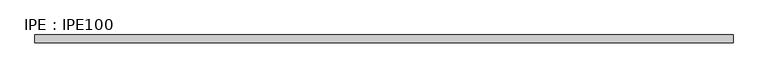
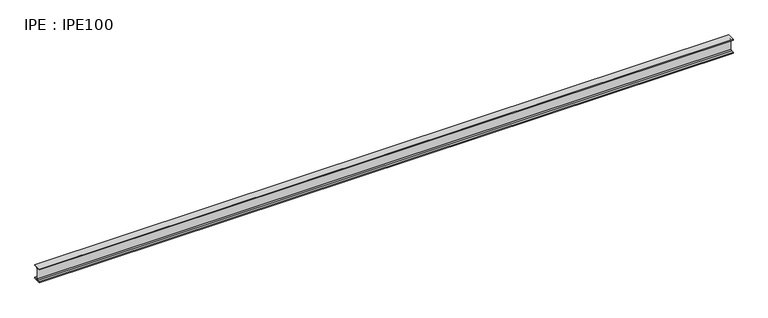
"""IFC4 building model written with IfcOpenShell, lengths in millimetres: beam geometry, IPE : IPE100."""

import ifcopenshell
import ifcopenshell.guid

model = None  # the IFC model being written
_history = None  # IfcOwnerHistory: only IFC2X3 demands one
_inside = {}  # id of a spatial element -> (the spatial element, [elements in it])
_under = {}  # id of a project, library or spatial element -> (it, [spatial elements below it])
_declared = {}  # id of a project -> (the project, [libraries it declares])
_typed = {}  # id of a type object -> (the type object, [elements of that type])
_made_of = {}  # id of a material, layer set ... -> (it, [elements and type objects made of it])


def new_model(schema):
    """Start an empty IFC model of exactly this schema.

    Asked for "IFC4X3", IfcOpenShell would pick the latest addendum, in which some entities
    have other attributes; the version numbers below select the first issue.
    IFC2X3 requires an IfcOwnerHistory on every rooted entity: one is made here for all.
    """
    global model, _history
    if schema == "IFC4X3":
        model = ifcopenshell.file(schema_version=(4, 3, 0, 0))
    else:
        model = ifcopenshell.file(schema=schema)
    _inside.clear()
    _under.clear()
    _declared.clear()
    _typed.clear()
    _made_of.clear()
    _history = None
    if model.schema == "IFC2X3":
        org = make("IfcOrganization", Name="unknown")
        user = make(
            "IfcPersonAndOrganization",
            ThePerson=make("IfcPerson", FamilyName="unknown"),
            TheOrganization=org,
        )
        app = make(
            "IfcApplication",
            ApplicationDeveloper=org,
            Version="unknown",
            ApplicationFullName="unknown",
            ApplicationIdentifier="unknown",
        )
        _history = make(
            "IfcOwnerHistory",
            OwningUser=user,
            OwningApplication=app,
            ChangeAction="ADDED",
            CreationDate=0,
        )
    return model


def make(cls, **values):
    """One entity of the class cls with the attributes given. An attribute that is None is left unset."""
    return model.create_entity(
        cls, **{name: value for name, value in values.items() if value is not None}
    )


def rooted(cls, **values):
    """An entity with a GlobalId (a new one), such as an element, a storey or a relation."""
    return make(cls, GlobalId=ifcopenshell.guid.new(), OwnerHistory=_history, **values)


def si_unit(unit_type, name, prefix=None):
    """IfcSIUnit, for example si_unit("LENGTHUNIT", "METRE", prefix="MILLI")."""
    return make("IfcSIUnit", UnitType=unit_type, Prefix=prefix, Name=name)


def assignment(units):
    """IfcUnitAssignment: the units of a project."""
    return None if units is None else make("IfcUnitAssignment", Units=units)


def point(xyz):
    """IfcCartesianPoint."""
    return None if xyz is None else make("IfcCartesianPoint", Coordinates=xyz)


def direction(xyz):
    """IfcDirection."""
    return None if xyz is None else make("IfcDirection", DirectionRatios=xyz)


def frame(location, z_axis=None, x_axis=None):
    """IfcAxis2Placement3D, a coordinate frame: its origin and axes. An axis left out is left unset."""
    return make(
        "IfcAxis2Placement3D",
        Location=point(location),
        Axis=direction(z_axis),
        RefDirection=direction(x_axis),
    )


def frame_2d(location, x_axis=None):
    """IfcAxis2Placement2D, a coordinate frame in the plane: its origin and x axis."""
    return make(
        "IfcAxis2Placement2D", Location=point(location), RefDirection=direction(x_axis)
    )


def origin():
    """The frame at (0, 0, 0) with its axes left unset."""
    return frame((0.0, 0.0, 0.0))


def place(relative_to, where):
    """IfcLocalPlacement: puts the frame where relative to a parent placement (None: the world)."""
    return make(
        "IfcLocalPlacement", PlacementRelTo=relative_to, RelativePlacement=where
    )


def context(
    kind, dimensions, precision=None, world=None, true_north=None, identifier=None
):
    """IfcGeometricRepresentationContext, for example the 3D "Model" context."""
    return make(
        "IfcGeometricRepresentationContext",
        ContextIdentifier=identifier,
        ContextType=kind,
        CoordinateSpaceDimension=dimensions,
        Precision=precision,
        WorldCoordinateSystem=world,
        TrueNorth=true_north,
    )


def project(units=None, contexts=None):
    """IfcProject with its units and contexts."""
    return rooted(
        "IfcProject",
        Name="project",
        RepresentationContexts=contexts,
        UnitsInContext=assignment(units),
    )


def spatial(cls, under=None, at=None, **own):
    """A site, building, storey or space (cls), placed at a placement, below another one or the project."""
    s = rooted(cls, ObjectPlacement=at, **own)
    if under is not None:
        _under.setdefault(under.id(), (under, []))[1].append(s)
    return s


def polyline(points):
    """IfcPolyline through the points."""
    return make("IfcPolyline", Points=[point(p) for p in points])


def circle_curve(where, radius):
    """IfcCircle in the frame where."""
    return make("IfcCircle", Position=where, Radius=radius)


def trimmed(basis, trim1, trim2, sense, master):
    """IfcTrimmedCurve: the piece of a basis curve between two trims."""
    return make(
        "IfcTrimmedCurve",
        BasisCurve=basis,
        Trim1=trim1,
        Trim2=trim2,
        SenseAgreement=sense,
        MasterRepresentation=master,
    )


def segment(curve, same_sense, transition):
    """IfcCompositeCurveSegment."""
    return make(
        "IfcCompositeCurveSegment",
        Transition=transition,
        SameSense=same_sense,
        ParentCurve=curve,
    )


def composite_curve(segments, self_intersect=None):
    """IfcCompositeCurve: segments joined end to end."""
    return make("IfcCompositeCurve", Segments=segments, SelfIntersect=self_intersect)


def outline(outer, holes=None, kind="AREA"):
    """IfcArbitraryClosedProfileDef: a profile drawn as a closed curve; with holes, ...WithVoids."""
    if holes is None:
        return make("IfcArbitraryClosedProfileDef", ProfileType=kind, OuterCurve=outer)
    return make(
        "IfcArbitraryProfileDefWithVoids",
        ProfileType=kind,
        OuterCurve=outer,
        InnerCurves=holes,
    )


def extrude(swept, where, along, depth):
    """IfcExtrudedAreaSolid: the profile swept, set in the frame where, extruded along a direction by depth."""
    return make(
        "IfcExtrudedAreaSolid",
        SweptArea=swept,
        Position=where,
        ExtrudedDirection=direction(along),
        Depth=depth,
    )


def shape(context_of_items, identifier, shape_type, items):
    """IfcShapeRepresentation: the items that make up one representation, for example the "Body"."""
    return make(
        "IfcShapeRepresentation",
        ContextOfItems=context_of_items,
        RepresentationIdentifier=identifier,
        RepresentationType=shape_type,
        Items=items,
    )


def source(mapping_origin, context_of_items, identifier, shape_type, items):
    """IfcRepresentationMap: a shape defined once, which mapped items show again and again."""
    return make(
        "IfcRepresentationMap",
        MappingOrigin=mapping_origin,
        MappedRepresentation=shape(context_of_items, identifier, shape_type, items),
    )


def transform(
    local_origin,
    x_axis=None,
    y_axis=None,
    z_axis=None,
    scale=None,
    scale2=None,
    scale3=None,
    uniform=True,
):
    """IfcCartesianTransformationOperator3D, or its non-uniform kind. x_axis, y_axis, z_axis: its Axis1, 2, 3."""
    if uniform:
        return make(
            "IfcCartesianTransformationOperator3D",
            Axis1=direction(x_axis),
            Axis2=direction(y_axis),
            LocalOrigin=point(local_origin),
            Scale=scale,
            Axis3=direction(z_axis),
        )
    return make(
        "IfcCartesianTransformationOperator3DnonUniform",
        Axis1=direction(x_axis),
        Axis2=direction(y_axis),
        LocalOrigin=point(local_origin),
        Scale=scale,
        Axis3=direction(z_axis),
        Scale2=scale2,
        Scale3=scale3,
    )


def mapped(mapping_source, mapping_target):
    """IfcMappedItem: shows the shape of a source again, moved by a transform."""
    return make(
        "IfcMappedItem", MappingSource=mapping_source, MappingTarget=mapping_target
    )


def made_of(thing, what):
    """Note that an element or type object is made of a material, layer set ...; save() writes the relation."""
    if what is not None:
        _made_of.setdefault(what.id(), (what, []))[1].append(thing)
    return thing


def element(
    cls,
    number,
    at=None,
    inside=None,
    cuts=None,
    type_object=None,
    material=None,
    context=None,
    identifier="Body",
    shape_type=None,
    held_by="IfcProductDefinitionShape",
    body=None,
    shapes=None,
    **own,
):
    """One element of the class cls, such as IfcWall. Its Tag is "e" and its number.

    at: its placement. inside: the storey or other place that contains it. cuts: it is an
    opening in that element (IfcRelVoidsElement). A single representation is given by context,
    identifier, shape_type and body (its items); several are given by shapes. held_by: the class
    of the entity that holds the representations. save() writes the other relations.
    """
    e = rooted(cls, Tag="e%d" % number, ObjectPlacement=at, **own)
    if body is not None:
        shapes = [shape(context, identifier, shape_type, body)]
    if shapes is not None:
        e.Representation = make(held_by, Representations=shapes)
    if inside is not None:
        _inside.setdefault(inside.id(), (inside, []))[1].append(e)
    if cuts is not None:
        rooted(
            "IfcRelVoidsElement", RelatingBuildingElement=cuts, RelatedOpeningElement=e
        )
    if type_object is not None:
        _typed.setdefault(type_object.id(), (type_object, []))[1].append(e)
    return made_of(e, material)


def aggregate(whole, parts):
    """IfcRelAggregates: a whole, such as a stair, and the parts it consists of."""
    return rooted("IfcRelAggregates", RelatingObject=whole, RelatedObjects=parts)


def save(model, path):
    """Write the relations noted so far, then the file.

    IfcRelAggregates (storeys below a building ...), IfcRelContainedInSpatialStructure (elements
    in a storey), IfcRelDefinesByType, IfcRelAssociatesMaterial and IfcRelDeclares: one each for
    every whole, place, type object, material and project.
    """
    for whole, parts in _under.values():
        aggregate(whole, parts)
    for where, things in _inside.values():
        rooted(
            "IfcRelContainedInSpatialStructure",
            RelatedElements=things,
            RelatingStructure=where,
        )
    for kind, things in _typed.values():
        rooted("IfcRelDefinesByType", RelatedObjects=things, RelatingType=kind)
    for what, things in _made_of.values():
        rooted("IfcRelAssociatesMaterial", RelatedObjects=things, RelatingMaterial=what)
    for by, libraries in _declared.values():
        rooted("IfcRelDeclares", RelatingContext=by, RelatedDefinitions=libraries)
    model.write(path)


def ipe_ipe100_ba64bb16(model_context):
    return source(origin(), model_context, "Body", "SweptSolid", [
        extrude(outline(composite_curve([segment(polyline([(27.5, -44.3), (27.5, -50.0), (-27.5, -50.0), (-27.5, -44.3), (-9.05, -44.3)]), True, "CONTINUOUS"), segment(trimmed(circle_curve(frame_2d((-9.05, -37.3)), 7.0), [point((-9.05, -44.3))], [point((-2.05, -37.3))], True, "CARTESIAN"), True, "CONTINUOUS"), segment(polyline([(-2.05, -37.3), (-2.05, 37.3)]), True, "CONTINUOUS"), segment(trimmed(circle_curve(frame_2d((-9.05, 37.3)), 7.0), [point((-2.05, 37.3))], [point((-9.05, 44.3))], True, "CARTESIAN"), True, "CONTINUOUS"), segment(polyline([(-9.05, 44.3), (-27.5, 44.3), (-27.5, 50.0), (27.5, 50.0), (27.5, 44.3), (9.05, 44.3)]), True, "CONTINUOUS"), segment(trimmed(circle_curve(frame_2d((9.05, 37.3)), 7.0), [point((9.05, 44.3))], [point((2.05, 37.3))], True, "CARTESIAN"), True, "CONTINUOUS"), segment(polyline([(2.05, 37.3), (2.05, -37.3)]), True, "CONTINUOUS"), segment(trimmed(circle_curve(frame_2d((9.05, -37.3)), 7.0), [point((2.05, -37.3))], [point((9.05, -44.3))], True, "CARTESIAN"), True, "CONTINUOUS"), segment(polyline([(9.05, -44.3), (27.5, -44.3)]), True, "CONTINUOUS")], self_intersect=False)), frame((-2412.65, 0.0, 0.0), z_axis=(1.0, 0.0, 0.0), x_axis=(0.0, 1.0, 0.0)), (0.0, 0.0, 1.0), 4834.0),
    ])


if __name__ == "__main__":
    model = new_model("IFC4")
    model_context = context("Model", 3, world=origin())
    ifc_project = project(units=[si_unit("LENGTHUNIT", "METRE", prefix="MILLI")], contexts=[model_context])
    site = spatial("IfcSite", under=ifc_project)
    building = spatial("IfcBuilding", under=site)
    placement = place(None, origin())
    ipe_ipe100_shape = ipe_ipe100_ba64bb16(model_context)
    element("IfcBeam", 1, ObjectType="IPE : IPE100", at=placement, inside=building, context=model_context, shape_type="MappedRepresentation", body=[
        mapped(ipe_ipe100_shape, transform((0.0, 0.0, 0.0), x_axis=(1.0, 0.0, 0.0), y_axis=(0.0, 1.0, 0.0), z_axis=(0.0, 0.0, 1.0))),
    ])
    save(model, "model.ifc")
